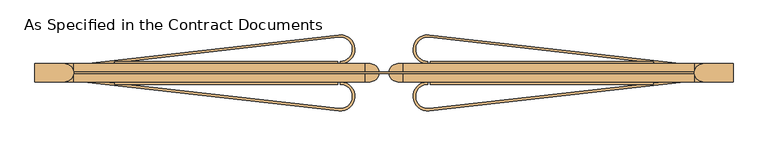
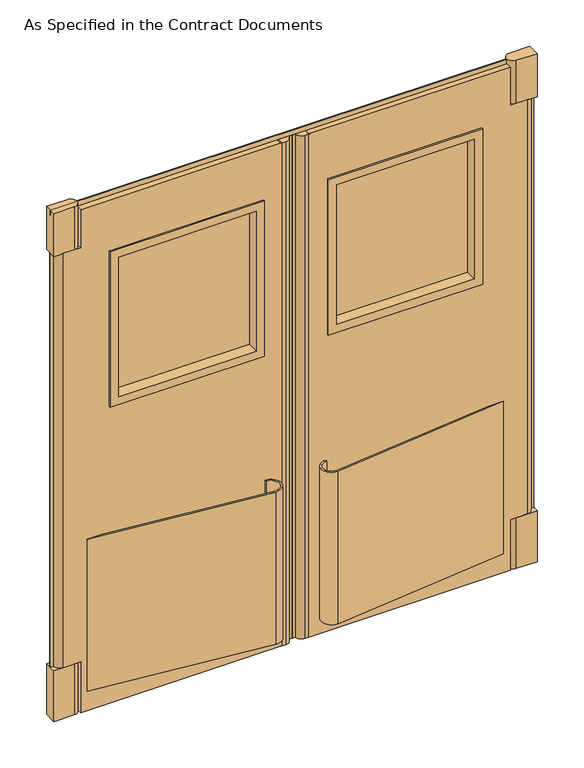
"""IFC4 building model written with IfcOpenShell, lengths in millimetres: door geometry, As Specified in the Contract Documents."""

from ifc_helpers import new_model, si_unit, point, frame, frame_2d, origin, origin_with_axes, place, context, project, spatial, polyline, circle_curve, trimmed, segment, composite_curve, outline, extrude, faceted_brep, source, transform, mapped, element, save
from ifc_brep_helpers import plane_surface, cylinder_surface, advanced_brep


def as_specified_in_the_contract_documents_f2602760(model_context):
    return source(origin(), model_context, "Body", "SolidModel", [
        extrude(outline(composite_curve([segment(polyline([(-96.3744322, -117.2316359), (-765.175, -41.275), (-708.9036164, -41.275), (-95.6578602, -110.9221966)]), True, "CONTINUOUS"), segment(trimmed(circle_curve(frame_2d((-92.075, -79.375)), 31.75), [point((-95.6578602, -110.9221966))], [point((-92.075, -47.625))], True, "CARTESIAN"), True, "CONTINUOUS"), segment(polyline([(-92.075, -47.625), (-92.075, -41.275)]), True, "CONTINUOUS"), segment(trimmed(circle_curve(frame_2d((-92.075, -79.375)), 38.1), [point((-92.075, -41.275))], [point((-96.3744322, -117.2316359))], False, "CARTESIAN"), True, "CONTINUOUS")], self_intersect=False)), frame((0.0, 0.0, 76.2), z_axis=(0.0, 0.0, 1.0), x_axis=(1.0, 0.0, 0.0)), (0.0, 0.0, 1.0), 609.6),
        extrude(outline(composite_curve([segment(trimmed(circle_curve(frame_2d((-92.075, 44.45)), 38.1), [point((-96.3744322, 82.3066359))], [point((-92.075, 6.35))], False, "CARTESIAN"), True, "CONTINUOUS"), segment(polyline([(-92.075, 6.35), (-92.075, 12.7)]), True, "CONTINUOUS"), segment(trimmed(circle_curve(frame_2d((-92.075, 44.45)), 31.75), [point((-92.075, 12.7))], [point((-95.6578602, 75.9971966))], True, "CARTESIAN"), True, "CONTINUOUS"), segment(polyline([(-95.6578602, 75.9971966), (-708.9036164, 6.35), (-765.175, 6.35), (-96.3744322, 82.3066359)]), True, "CONTINUOUS")], self_intersect=False)), frame((0.0, 0.0, 76.2), z_axis=(0.0, 0.0, 1.0), x_axis=(1.0, 0.0, 0.0)), (0.0, 0.0, 1.0), 609.6),
        advanced_brep(
        [(-790.575, 6.35, 2012.95), (-28.575, 6.35, 2012.95), (-28.575, 6.35, 0.0), (-790.575, 6.35, 0.0), (-790.575, 6.35, 203.2), (-855.6625, 6.35, 203.2), (-855.6625, 6.35, 1860.55), (-790.575, 6.35, 1860.55), (-657.225, 6.35, 1784.35), (-657.225, 6.35, 1212.85), (-123.825, 6.35, 1212.85), (-123.825, 6.35, 1784.35), (-790.575, -41.275, 2012.95), (-790.575, -41.275, 1860.55), (-855.6625, -41.275, 1860.55), (-855.6625, -41.275, 203.2), (-790.575, -41.275, 203.2), (-790.575, -41.275, 0.0), (-28.575, -41.275, 0.0), (-28.575, -41.275, 2012.95), (-657.225, -41.275, 1784.35), (-123.825, -41.275, 1784.35), (-123.825, -41.275, 1212.85), (-657.225, -41.275, 1212.85)],
        [
            (0, 1),
            (1, 2),
            (2, 3),
            (3, 4),
            (4, 5),
            (5, 6),
            (6, 7),
            (7, 0),
            (8, 9),
            (9, 10),
            (10, 11),
            (11, 8),
            (12, 13),
            (13, 14),
            (14, 15),
            (15, 16),
            (16, 17),
            (17, 18),
            (18, 19),
            (19, 12),
            (20, 21),
            (21, 22),
            (22, 23),
            (23, 20),
            (7, 13),
            (12, 0),
            (6, 14, circle_curve(frame((-855.6625, -17.4625, 1860.55), z_axis=(0.0, 0.0, 1.0), x_axis=(-1.0, 0.0, 0.0)), 23.8125)),
            (4, 16),
            (15, 5, circle_curve(frame((-855.6625, -17.4625, 203.2), z_axis=(0.0, 0.0, -1.0), x_axis=(-1.0, 0.0, 0.0)), 23.8125)),
            (3, 17),
            (2, 18),
            (1, 19),
            (11, 21),
            (20, 8),
            (10, 22),
            (9, 23),
        ],
        [
            plane_surface(frame((-790.575, 6.35, 2012.95), z_axis=(0.0, 1.0, 0.0), x_axis=(0.0, 0.0, -1.0))),
            plane_surface(frame((-790.575, -41.275, 2012.95), z_axis=(0.0, -1.0, 0.0), x_axis=(0.0, 0.0, 1.0))),
            plane_surface(frame((-790.575, 6.35, 2012.95), z_axis=(-1.0, 0.0, 0.0), x_axis=(0.0, -1.0, 0.0))),
            plane_surface(frame((-790.575, 6.35, 1860.55), z_axis=(0.0, 0.0, 1.0), x_axis=(0.0, -1.0, 0.0))),
            plane_surface(frame((-842.9625, 6.35, 203.2), z_axis=(0.0, 0.0, -1.0), x_axis=(0.0, -1.0, 0.0))),
            plane_surface(frame((-790.575, 6.35, 203.2), z_axis=(-1.0, 0.0, 0.0), x_axis=(0.0, -1.0, 0.0))),
            plane_surface(frame((-790.575, 6.35, 0.0), z_axis=(0.0, 0.0, -1.0), x_axis=(0.0, -1.0, 0.0))),
            plane_surface(frame((-28.575, 6.35, 0.0), z_axis=(1.0, 0.0, 0.0), x_axis=(0.0, -1.0, 0.0))),
            plane_surface(frame((-28.575, 6.35, 2012.95), z_axis=(0.0, 0.0, 1.0), x_axis=(0.0, -1.0, 0.0))),
            plane_surface(frame((-657.225, 6.35, 1784.35), z_axis=(0.0, 0.0, -1.0), x_axis=(0.0, -1.0, 0.0))),
            plane_surface(frame((-123.825, 6.35, 1784.35), z_axis=(-1.0, 0.0, 0.0), x_axis=(0.0, -1.0, 0.0))),
            plane_surface(frame((-123.825, 6.35, 1212.85), z_axis=(0.0, 0.0, 1.0), x_axis=(0.0, -1.0, 0.0))),
            plane_surface(frame((-657.225, 6.35, 1212.85), z_axis=(1.0, 0.0, 0.0), x_axis=(0.0, -1.0, 0.0))),
            cylinder_surface(frame((-855.6625, -17.4625, 203.2), z_axis=(0.0, 0.0, 1.0), x_axis=(-1.0, 0.0, 0.0)), 23.8125),
        ],
        [
            (0, [[1, 2, 3, 4, 5, 6, 7, 8], [9, 10, 11, 12]]),
            (1, [[13, 14, 15, 16, 17, 18, 19, 20], [21, 22, 23, 24]]),
            (2, [[25, -13, 26, -8]]),
            (3, [[27, -14, -25, -7]]),
            (4, [[28, -16, 29, -5]]),
            (5, [[30, -17, -28, -4]]),
            (6, [[31, -18, -30, -3]]),
            (7, [[32, -19, -31, -2]]),
            (8, [[-26, -20, -32, -1]]),
            (9, [[33, -21, 34, -12]]),
            (10, [[35, -22, -33, -11]]),
            (11, [[36, -23, -35, -10]]),
            (12, [[-34, -24, -36, -9]]),
            (13, [[-6, -29, -15, -27]]),
        ],
    ),
        extrude(outline(composite_curve([segment(trimmed(circle_curve(frame_2d((-14.2875, -17.4625)), 23.8125), [point((-14.2875, 6.35))], [point((9.4720244, -15.875))], False, "CARTESIAN"), True, "CONTINUOUS"), segment(polyline([(9.4720244, -15.875), (22.225, -15.875), (22.225, -19.05), (9.4720244, -19.05)]), True, "CONTINUOUS"), segment(trimmed(circle_curve(frame_2d((-14.2875, -17.4625)), 23.8125), [point((9.4720244, -19.05))], [point((-14.2875, -41.275))], False, "CARTESIAN"), True, "CONTINUOUS"), segment(polyline([(-14.2875, -41.275), (-33.3375, -41.275), (-33.3375, 6.35), (-14.2875, 6.35)]), True, "CONTINUOUS")], self_intersect=False)), origin_with_axes(), (0.0, 0.0, 1.0), 2012.95),
        extrude(outline(composite_curve([segment(polyline([(-814.3875, -41.275), (-892.175, -41.275), (-892.175, 6.35), (-814.3875, 6.35)]), True, "CONTINUOUS"), segment(trimmed(circle_curve(frame_2d((-814.3875, -17.4625)), 23.8125), [point((-814.3875, 6.35))], [point((-814.3875, -41.275))], False, "CARTESIAN"), True, "CONTINUOUS")], self_intersect=False)), frame((0.0, 0.0, 1860.55), z_axis=(0.0, 0.0, 1.0), x_axis=(1.0, 0.0, 0.0)), (0.0, 0.0, 1.0), 171.45),
        extrude(outline(composite_curve([segment(polyline([(-814.3875, -41.275), (-892.175, -41.275), (-892.175, 6.35), (-814.3875, 6.35)]), True, "CONTINUOUS"), segment(trimmed(circle_curve(frame_2d((-814.3875, -17.4625)), 23.8125), [point((-814.3875, 6.35))], [point((-814.3875, -41.275))], False, "CARTESIAN"), True, "CONTINUOUS")], self_intersect=False)), origin_with_axes(), (0.0, 0.0, 1.0), 203.2),
        extrude(outline(polyline([(-879.475, -15.875), (-879.475, -19.05), (-892.175, -19.05), (-892.175, -15.875), (-879.475, -15.875)])), frame((0.0, 0.0, 203.2), z_axis=(0.0, 0.0, 1.0), x_axis=(1.0, 0.0, 0.0)), (0.0, 0.0, 1.0), 1657.35),
        extrude(outline(polyline([(-650.875, -3.175), (-650.875, 0.0), (-130.175, 0.0), (-130.175, -3.175), (-650.875, -3.175)])), frame((0.0, 0.0, 1219.2), z_axis=(0.0, 0.0, 1.0), x_axis=(1.0, 0.0, 0.0)), (0.0, 0.0, 1.0), 558.8),
        faceted_brep([(-130.175, -47.625, 1778.0), (-650.875, -47.625, 1778.0), (-650.875, 12.7, 1778.0), (-130.175, 12.7, 1778.0), (-98.425, -41.275, 1809.75), (-682.625, -41.275, 1809.75), (-682.625, -47.625, 1809.75), (-98.425, -47.625, 1809.75), (-123.825, 6.35, 1784.35), (-657.225, 6.35, 1784.35), (-657.225, -41.275, 1784.35), (-123.825, -41.275, 1784.35), (-98.425, 12.7, 1809.75), (-682.625, 12.7, 1809.75), (-682.625, 6.35, 1809.75), (-98.425, 6.35, 1809.75), (-650.875, -47.625, 1219.2), (-650.875, 12.7, 1219.2), (-682.625, -41.275, 1187.45), (-682.625, -47.625, 1187.45), (-657.225, 6.35, 1212.85), (-657.225, -41.275, 1212.85), (-682.625, 12.7, 1187.45), (-682.625, 6.35, 1187.45), (-130.175, -47.625, 1219.2), (-130.175, 12.7, 1219.2), (-98.425, -41.275, 1187.45), (-98.425, -47.625, 1187.45), (-123.825, 6.35, 1212.85), (-123.825, -41.275, 1212.85), (-98.425, 12.7, 1187.45), (-98.425, 6.35, 1187.45)], [[[0, 1, 2, 3]], [[4, 5, 6, 7]], [[8, 9, 10, 11]], [[12, 13, 14, 15]], [[1, 16, 17, 2]], [[5, 18, 19, 6]], [[9, 20, 21, 10]], [[13, 22, 23, 14]], [[16, 24, 25, 17]], [[18, 26, 27, 19]], [[20, 28, 29, 21]], [[22, 30, 31, 23]], [[24, 0, 3, 25]], [[7, 6, 19, 27], [1, 0, 24, 16]], [[26, 4, 7, 27]], [[5, 4, 26, 18], [11, 10, 21, 29]], [[28, 8, 11, 29]], [[15, 14, 23, 31], [9, 8, 28, 20]], [[30, 12, 15, 31]], [[13, 12, 30, 22], [3, 2, 17, 25]]]),
        extrude(outline(composite_curve([segment(trimmed(circle_curve(frame_2d((136.525, -79.375)), 38.1), [point((140.8244322, -117.2316359))], [point((136.525, -41.275))], False, "CARTESIAN"), True, "CONTINUOUS"), segment(polyline([(136.525, -41.275), (136.525, -47.625)]), True, "CONTINUOUS"), segment(trimmed(circle_curve(frame_2d((136.525, -79.375)), 31.75), [point((136.525, -47.625))], [point((140.1078602, -110.9221966))], True, "CARTESIAN"), True, "CONTINUOUS"), segment(polyline([(140.1078602, -110.9221966), (753.3536164, -41.275), (809.625, -41.275), (140.8244322, -117.2316359)]), True, "CONTINUOUS")], self_intersect=False)), frame((0.0, 0.0, 76.2), z_axis=(0.0, 0.0, 1.0), x_axis=(1.0, 0.0, 0.0)), (0.0, 0.0, 1.0), 609.6),
        extrude(outline(composite_curve([segment(polyline([(140.8244322, 82.3066359), (809.625, 6.35), (753.3536164, 6.35), (140.1078602, 75.9971966)]), True, "CONTINUOUS"), segment(trimmed(circle_curve(frame_2d((136.525, 44.45)), 31.75), [point((140.1078602, 75.9971966))], [point((136.525, 12.7))], True, "CARTESIAN"), True, "CONTINUOUS"), segment(polyline([(136.525, 12.7), (136.525, 6.35)]), True, "CONTINUOUS"), segment(trimmed(circle_curve(frame_2d((136.525, 44.45)), 38.1), [point((136.525, 6.35))], [point((140.8244322, 82.3066359))], False, "CARTESIAN"), True, "CONTINUOUS")], self_intersect=False)), frame((0.0, 0.0, 76.2), z_axis=(0.0, 0.0, 1.0), x_axis=(1.0, 0.0, 0.0)), (0.0, 0.0, 1.0), 609.6),
        advanced_brep(
        [(835.025, 6.35, 2012.95), (835.025, 6.35, 1860.55), (900.1125, 6.35, 1860.55), (900.1125, 6.35, 203.2), (835.025, 6.35, 203.2), (835.025, 6.35, 0.0), (73.025, 6.35, 0.0), (73.025, 6.35, 2012.95), (701.675, 6.35, 1784.35), (168.275, 6.35, 1784.35), (168.275, 6.35, 1212.85), (701.675, 6.35, 1212.85), (835.025, -41.275, 2012.95), (73.025, -41.275, 2012.95), (73.025, -41.275, 0.0), (835.025, -41.275, 0.0), (835.025, -41.275, 203.2), (900.1125, -41.275, 203.2), (900.1125, -41.275, 1860.55), (835.025, -41.275, 1860.55), (701.675, -41.275, 1784.35), (701.675, -41.275, 1212.85), (168.275, -41.275, 1212.85), (168.275, -41.275, 1784.35)],
        [
            (0, 1),
            (1, 2),
            (2, 3),
            (3, 4),
            (4, 5),
            (5, 6),
            (6, 7),
            (7, 0),
            (8, 9),
            (9, 10),
            (10, 11),
            (11, 8),
            (12, 13),
            (13, 14),
            (14, 15),
            (15, 16),
            (16, 17),
            (17, 18),
            (18, 19),
            (19, 12),
            (20, 21),
            (21, 22),
            (22, 23),
            (23, 20),
            (0, 12),
            (19, 1),
            (18, 2, circle_curve(frame((900.1125, -17.4625, 1860.55), z_axis=(0.0, 0.0, 1.0), x_axis=(1.0, 0.0, 0.0)), 23.8125)),
            (3, 17, circle_curve(frame((900.1125, -17.4625, 203.2), z_axis=(0.0, 0.0, -1.0), x_axis=(1.0, 0.0, 0.0)), 23.8125)),
            (16, 4),
            (15, 5),
            (14, 6),
            (13, 7),
            (8, 20),
            (23, 9),
            (22, 10),
            (21, 11),
        ],
        [
            plane_surface(frame((835.025, 6.35, 2012.95), z_axis=(0.0, 1.0, 0.0), x_axis=(0.0, 0.0, -1.0))),
            plane_surface(frame((835.025, -41.275, 2012.95), z_axis=(0.0, -1.0, 0.0), x_axis=(0.0, 0.0, 1.0))),
            plane_surface(frame((835.025, 6.35, 2012.95), z_axis=(1.0, 0.0, 0.0), x_axis=(0.0, -1.0, 0.0))),
            plane_surface(frame((835.025, 6.35, 1860.55), z_axis=(0.0, 0.0, 1.0), x_axis=(0.0, -1.0, 0.0))),
            plane_surface(frame((887.4125, 6.35, 203.2), z_axis=(0.0, 0.0, -1.0), x_axis=(0.0, -1.0, 0.0))),
            plane_surface(frame((835.025, 6.35, 203.2), z_axis=(1.0, 0.0, 0.0), x_axis=(0.0, -1.0, 0.0))),
            plane_surface(frame((835.025, 6.35, 0.0), z_axis=(0.0, 0.0, -1.0), x_axis=(0.0, -1.0, 0.0))),
            plane_surface(frame((73.025, 6.35, 0.0), z_axis=(-1.0, 0.0, 0.0), x_axis=(0.0, -1.0, 0.0))),
            plane_surface(frame((73.025, 6.35, 2012.95), z_axis=(0.0, 0.0, 1.0), x_axis=(0.0, -1.0, 0.0))),
            plane_surface(frame((701.675, 6.35, 1784.35), z_axis=(0.0, 0.0, -1.0), x_axis=(0.0, -1.0, 0.0))),
            plane_surface(frame((168.275, 6.35, 1784.35), z_axis=(1.0, 0.0, 0.0), x_axis=(0.0, -1.0, 0.0))),
            plane_surface(frame((168.275, 6.35, 1212.85), z_axis=(0.0, 0.0, 1.0), x_axis=(0.0, -1.0, 0.0))),
            plane_surface(frame((701.675, 6.35, 1212.85), z_axis=(-1.0, 0.0, 0.0), x_axis=(0.0, -1.0, 0.0))),
            cylinder_surface(frame((900.1125, -17.4625, 203.2), z_axis=(0.0, 0.0, 1.0), x_axis=(1.0, 0.0, 0.0)), 23.8125),
        ],
        [
            (0, [[1, 2, 3, 4, 5, 6, 7, 8], [9, 10, 11, 12]]),
            (1, [[13, 14, 15, 16, 17, 18, 19, 20], [21, 22, 23, 24]]),
            (2, [[-1, 25, -20, 26]]),
            (3, [[-2, -26, -19, 27]]),
            (4, [[-4, 28, -17, 29]]),
            (5, [[-5, -29, -16, 30]]),
            (6, [[-6, -30, -15, 31]]),
            (7, [[-7, -31, -14, 32]]),
            (8, [[-8, -32, -13, -25]]),
            (9, [[-9, 33, -24, 34]]),
            (10, [[-10, -34, -23, 35]]),
            (11, [[-11, -35, -22, 36]]),
            (12, [[-12, -36, -21, -33]]),
            (13, [[-27, -18, -28, -3]]),
        ],
    ),
        extrude(outline(composite_curve([segment(polyline([(58.7375, 6.35), (77.7875, 6.35), (77.7875, -41.275), (58.7375, -41.275)]), True, "CONTINUOUS"), segment(trimmed(circle_curve(frame_2d((58.7375, -17.4625)), 23.8125), [point((58.7375, -41.275))], [point((34.9779756, -19.05))], False, "CARTESIAN"), True, "CONTINUOUS"), segment(polyline([(34.9779756, -19.05), (22.225, -19.05), (22.225, -15.875), (34.9779756, -15.875)]), True, "CONTINUOUS"), segment(trimmed(circle_curve(frame_2d((58.7375, -17.4625)), 23.8125), [point((34.9779756, -15.875))], [point((58.7375, 6.35))], False, "CARTESIAN"), True, "CONTINUOUS")], self_intersect=False)), origin_with_axes(), (0.0, 0.0, 1.0), 2012.95),
        extrude(outline(composite_curve([segment(trimmed(circle_curve(frame_2d((858.8375, -17.4625)), 23.8125), [point((858.8375, -41.275))], [point((858.8375, 6.35))], False, "CARTESIAN"), True, "CONTINUOUS"), segment(polyline([(858.8375, 6.35), (936.625, 6.35), (936.625, -41.275), (858.8375, -41.275)]), True, "CONTINUOUS")], self_intersect=False)), frame((0.0, 0.0, 1860.55), z_axis=(0.0, 0.0, 1.0), x_axis=(1.0, 0.0, 0.0)), (0.0, 0.0, 1.0), 171.45),
        extrude(outline(composite_curve([segment(trimmed(circle_curve(frame_2d((858.8375, -17.4625)), 23.8125), [point((858.8375, -41.275))], [point((858.8375, 6.35))], False, "CARTESIAN"), True, "CONTINUOUS"), segment(polyline([(858.8375, 6.35), (936.625, 6.35), (936.625, -41.275), (858.8375, -41.275)]), True, "CONTINUOUS")], self_intersect=False)), origin_with_axes(), (0.0, 0.0, 1.0), 203.2),
        extrude(outline(polyline([(923.925, -15.875), (936.625, -15.875), (936.625, -19.05), (923.925, -19.05), (923.925, -15.875)])), frame((0.0, 0.0, 203.2), z_axis=(0.0, 0.0, 1.0), x_axis=(1.0, 0.0, 0.0)), (0.0, 0.0, 1.0), 1657.35),
        extrude(outline(polyline([(695.325, -3.175), (174.625, -3.175), (174.625, 0.0), (695.325, 0.0), (695.325, -3.175)])), frame((0.0, 0.0, 1219.2), z_axis=(0.0, 0.0, 1.0), x_axis=(1.0, 0.0, 0.0)), (0.0, 0.0, 1.0), 558.8),
        faceted_brep([(174.625, -47.625, 1778.0), (174.625, 12.7, 1778.0), (695.325, 12.7, 1778.0), (695.325, -47.625, 1778.0), (142.875, -41.275, 1809.75), (142.875, -47.625, 1809.75), (727.075, -47.625, 1809.75), (727.075, -41.275, 1809.75), (168.275, 6.35, 1784.35), (168.275, -41.275, 1784.35), (701.675, -41.275, 1784.35), (701.675, 6.35, 1784.35), (142.875, 12.7, 1809.75), (142.875, 6.35, 1809.75), (727.075, 6.35, 1809.75), (727.075, 12.7, 1809.75), (695.325, 12.7, 1219.2), (695.325, -47.625, 1219.2), (727.075, -47.625, 1187.45), (727.075, -41.275, 1187.45), (701.675, -41.275, 1212.85), (701.675, 6.35, 1212.85), (727.075, 6.35, 1187.45), (727.075, 12.7, 1187.45), (174.625, 12.7, 1219.2), (174.625, -47.625, 1219.2), (142.875, -47.625, 1187.45), (142.875, -41.275, 1187.45), (168.275, -41.275, 1212.85), (168.275, 6.35, 1212.85), (142.875, 6.35, 1187.45), (142.875, 12.7, 1187.45)], [[[0, 1, 2, 3]], [[4, 5, 6, 7]], [[8, 9, 10, 11]], [[12, 13, 14, 15]], [[3, 2, 16, 17]], [[7, 6, 18, 19]], [[11, 10, 20, 21]], [[15, 14, 22, 23]], [[17, 16, 24, 25]], [[19, 18, 26, 27]], [[21, 20, 28, 29]], [[23, 22, 30, 31]], [[25, 24, 1, 0]], [[5, 26, 18, 6], [3, 17, 25, 0]], [[27, 26, 5, 4]], [[7, 19, 27, 4], [9, 28, 20, 10]], [[29, 28, 9, 8]], [[13, 30, 22, 14], [11, 21, 29, 8]], [[31, 30, 13, 12]], [[15, 23, 31, 12], [1, 24, 16, 2]]]),
        extrude(outline(polyline([(835.025, -15.875), (835.025, -19.05), (-892.175, -19.05), (-892.175, -15.875), (835.025, -15.875)])), frame((0.0, 0.0, 2012.95), z_axis=(0.0, 0.0, 1.0), x_axis=(1.0, 0.0, 0.0)), (0.0, 0.0, 1.0), 19.05),
    ])


if __name__ == "__main__":
    model = new_model("IFC4")
    model_context = context("Model", 3, world=origin())
    ifc_project = project(units=[si_unit("LENGTHUNIT", "METRE", prefix="MILLI")], contexts=[model_context])
    site = spatial("IfcSite", under=ifc_project)
    building = spatial("IfcBuilding", under=site)
    placement = place(None, origin())
    as_specified_in_the_contract_documents_shape = as_specified_in_the_contract_documents_f2602760(model_context)
    element("IfcDoor", 1, ObjectType="As Specified in the Contract Documents", at=placement, inside=building, context=model_context, shape_type="MappedRepresentation", body=[
        mapped(as_specified_in_the_contract_documents_shape, transform((0.0, 0.0, 0.0), x_axis=(1.0, 0.0, 0.0), y_axis=(0.0, 1.0, 0.0), z_axis=(0.0, 0.0, 1.0))),
    ])
    save(model, "model.ifc")
